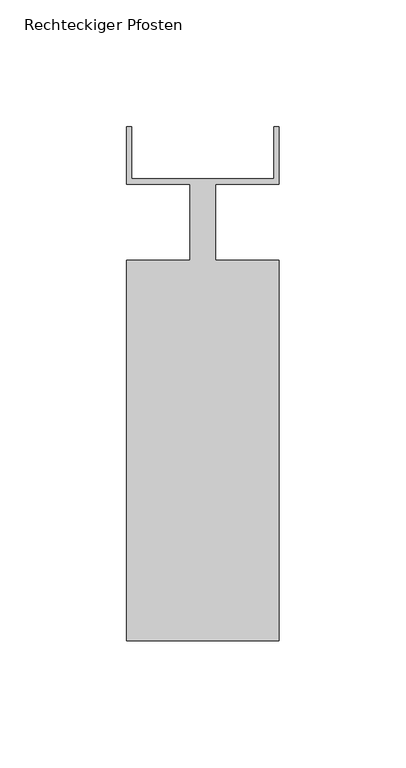
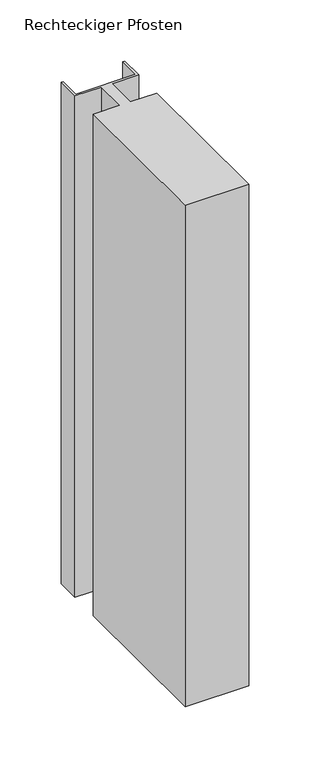
"""IFC4 building model written with IfcOpenShell, lengths in millimetres: member geometry, Rechteckiger Pfosten."""

from ifc_helpers import new_model, si_unit, frame, origin, place, context, project, spatial, polyline, outline, extrude, source, transform, mapped, element, save


def rechteckiger_pfosten_ac697182(model_context):
    return source(origin(), model_context, "Body", "SweptSolid", [
        extrude(outline(polyline([(-58.0, 37.5), (-58.0, 17.0), (-2.0, 17.0), (-2.0, 37.5), (0.0, 37.5), (0.0, 15.0), (-25.0, 15.0), (-25.0, -15.0), (0.0, -15.0), (0.0, -165.0), (-60.0, -165.0), (-60.0, -15.0), (-35.0, -15.0), (-35.0, 15.0), (-60.0, 15.0), (-60.0, 37.5), (-58.0, 37.5)])), frame((0.0, 0.0, -500.0), z_axis=(0.0, 0.0, 1.0), x_axis=(1.0, 0.0, 0.0)), (0.0, 0.0, 1.0), 500.0),
    ])


if __name__ == "__main__":
    model = new_model("IFC4")
    model_context = context("Model", 3, world=origin())
    ifc_project = project(units=[si_unit("LENGTHUNIT", "METRE", prefix="MILLI")], contexts=[model_context])
    site = spatial("IfcSite", under=ifc_project)
    building = spatial("IfcBuilding", under=site)
    placement = place(None, origin())
    rechteckiger_pfosten_shape = rechteckiger_pfosten_ac697182(model_context)
    element("IfcMember", 1, ObjectType="Rechteckiger Pfosten", at=placement, inside=building, context=model_context, shape_type="MappedRepresentation", body=[
        mapped(rechteckiger_pfosten_shape, transform((0.0, 0.0, 0.0), x_axis=(1.0, 0.0, 0.0), y_axis=(0.0, 1.0, 0.0), z_axis=(0.0, 0.0, 1.0))),
    ])
    save(model, "model.ifc")
